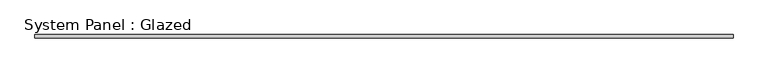
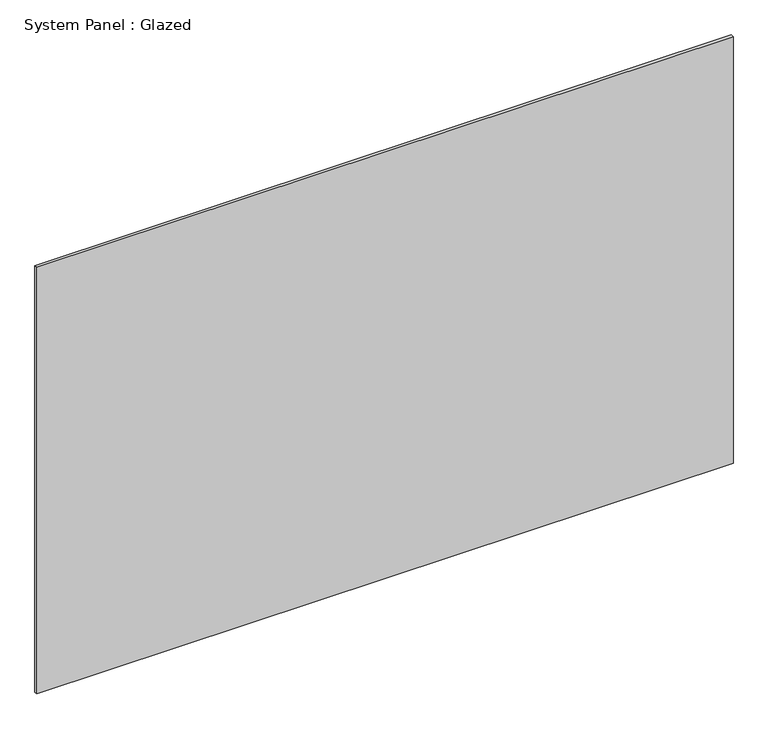
"""IFC4 building model written with IfcOpenShell, lengths in millimetres: plate geometry, System Panel : Glazed."""

from ifc_helpers import new_model, si_unit, origin, origin_with_axes, place, context, project, spatial, polyline, outline, extrude, source, transform, mapped, element, save


def system_panel_glazed_cf8b6aee(model_context):
    return source(origin(), model_context, "Body", "SweptSolid", [
        extrude(outline(polyline([(2745.0000002, 24.5), (-2745.0000002, 24.5), (-2745.0000002, 49.5), (2745.0000002, 49.5), (2745.0000002, 24.5)])), origin_with_axes(), (0.0, 0.0, 1.0), 3555.5555556),
    ])


if __name__ == "__main__":
    model = new_model("IFC4")
    model_context = context("Model", 3, world=origin())
    ifc_project = project(units=[si_unit("LENGTHUNIT", "METRE", prefix="MILLI")], contexts=[model_context])
    site = spatial("IfcSite", under=ifc_project)
    building = spatial("IfcBuilding", under=site)
    placement = place(None, origin())
    system_panel_glazed_shape = system_panel_glazed_cf8b6aee(model_context)
    element("IfcPlate", 1, ObjectType="System Panel : Glazed", at=placement, inside=building, context=model_context, shape_type="MappedRepresentation", body=[
        mapped(system_panel_glazed_shape, transform((0.0, 0.0, 0.0), x_axis=(1.0, 0.0, 0.0), y_axis=(0.0, 1.0, 0.0), z_axis=(0.0, 0.0, 1.0))),
    ])
    save(model, "model.ifc")
